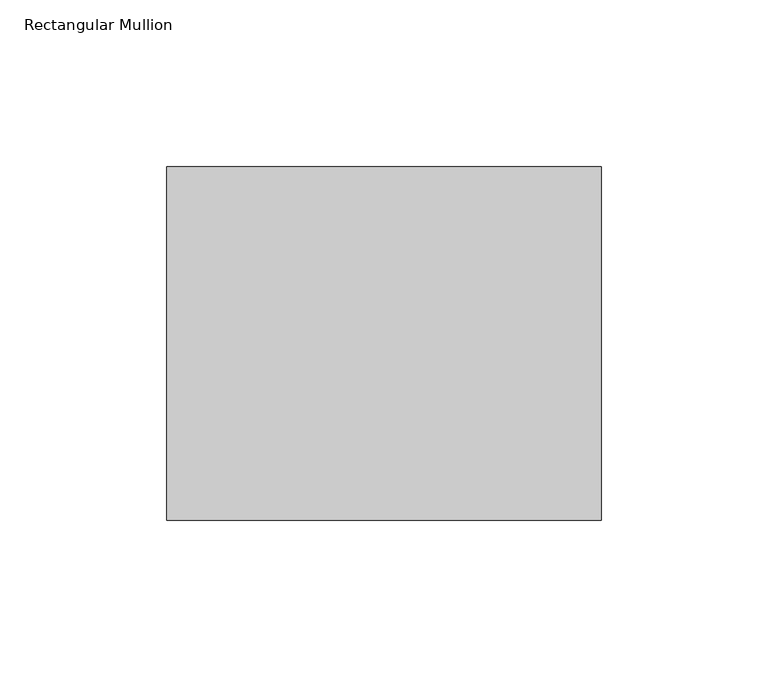
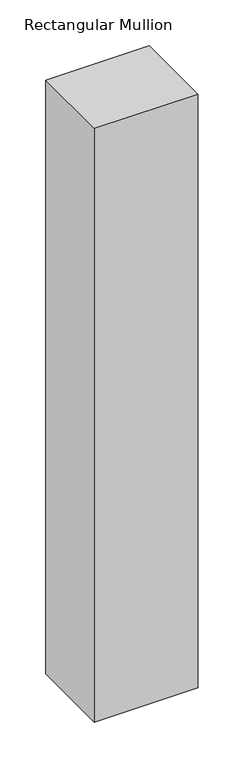
"""IFC4 building model written with IfcOpenShell, lengths in millimetres: member geometry, Rectangular Mullion."""

from ifc_helpers import new_model, si_unit, frame, origin, place, context, project, spatial, polyline, outline, extrude, source, transform, mapped, element, save


def rectangular_mullion_2ac0aced(model_context):
    return source(origin(), model_context, "Body", "SweptSolid", [
        extrude(outline(polyline([(0.0, 52.8779994), (0.0, -52.8779994), (-130.0, -52.8779994), (-130.0, 52.8779994), (0.0, 52.8779994)])), frame((0.0, 0.0, -790.0), z_axis=(0.0, 0.0, 1.0), x_axis=(1.0, 0.0, 0.0)), (0.0, 0.0, 1.0), 790.0),
    ])


if __name__ == "__main__":
    model = new_model("IFC4")
    model_context = context("Model", 3, world=origin())
    ifc_project = project(units=[si_unit("LENGTHUNIT", "METRE", prefix="MILLI")], contexts=[model_context])
    site = spatial("IfcSite", under=ifc_project)
    building = spatial("IfcBuilding", under=site)
    placement = place(None, origin())
    rectangular_mullion_shape = rectangular_mullion_2ac0aced(model_context)
    element("IfcMember", 1, ObjectType="Rectangular Mullion", at=placement, inside=building, context=model_context, shape_type="MappedRepresentation", body=[
        mapped(rectangular_mullion_shape, transform((0.0, 0.0, 0.0), x_axis=(1.0, 0.0, 0.0), y_axis=(0.0, 1.0, 0.0), z_axis=(0.0, 0.0, 1.0))),
    ])
    save(model, "model.ifc")
